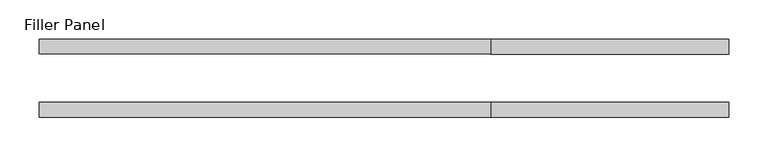
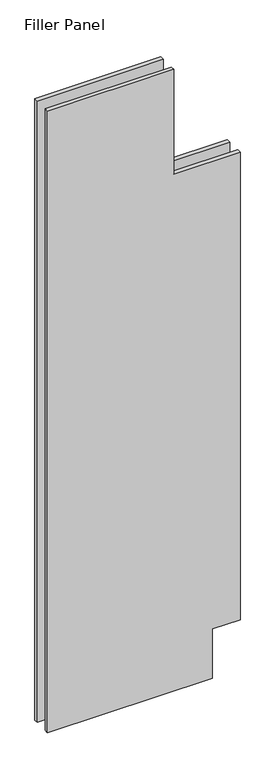
"""IFC4 building model written with IfcOpenShell, lengths in millimetres: plate geometry, Filler Panel."""

from ifc_helpers import new_model, si_unit, frame, origin, place, context, project, spatial, polyline, outline, extrude, source, transform, mapped, element, save


def filler_panel_a63ca03b(model_context):
    return source(origin(), model_context, "Body", "SweptSolid", [
        extrude(outline(polyline([(15.875, -441.6008998), (15.875, 314.6008998), (254.0, 314.6008998), (254.0, 441.6008998), (2524.125, 441.6008998), (2524.125, 136.8008998), (3032.125, 136.8008998), (3032.125, -441.6008998), (15.875, -441.6008998)])), frame((0.0, 30.9573955, 0.0), z_axis=(0.0, 1.0, 0.0), x_axis=(0.0, 0.0, 1.0)), (0.0, 0.0, 1.0), 19.05),
        extrude(outline(polyline([(15.875, -441.6008998), (15.875, 314.6008998), (254.0, 314.6008998), (254.0, 441.6008998), (2524.125, 441.6008998), (2524.125, 136.8008998), (3032.125, 136.8008998), (3032.125, -441.6008998), (15.875, -441.6008998)])), frame((0.0, -50.0051045, 0.0), z_axis=(0.0, 1.0, 0.0), x_axis=(0.0, 0.0, 1.0)), (0.0, 0.0, 1.0), 19.05),
    ])


if __name__ == "__main__":
    model = new_model("IFC4")
    model_context = context("Model", 3, world=origin())
    ifc_project = project(units=[si_unit("LENGTHUNIT", "METRE", prefix="MILLI")], contexts=[model_context])
    site = spatial("IfcSite", under=ifc_project)
    building = spatial("IfcBuilding", under=site)
    placement = place(None, origin())
    filler_panel_shape = filler_panel_a63ca03b(model_context)
    element("IfcPlate", 1, ObjectType="Filler Panel", at=placement, inside=building, context=model_context, shape_type="MappedRepresentation", body=[
        mapped(filler_panel_shape, transform((0.0, 0.0, 0.0), x_axis=(1.0, 0.0, 0.0), y_axis=(0.0, 1.0, 0.0), z_axis=(0.0, 0.0, 1.0))),
    ])
    save(model, "model.ifc")
